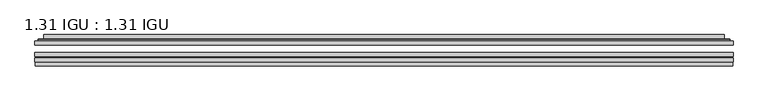
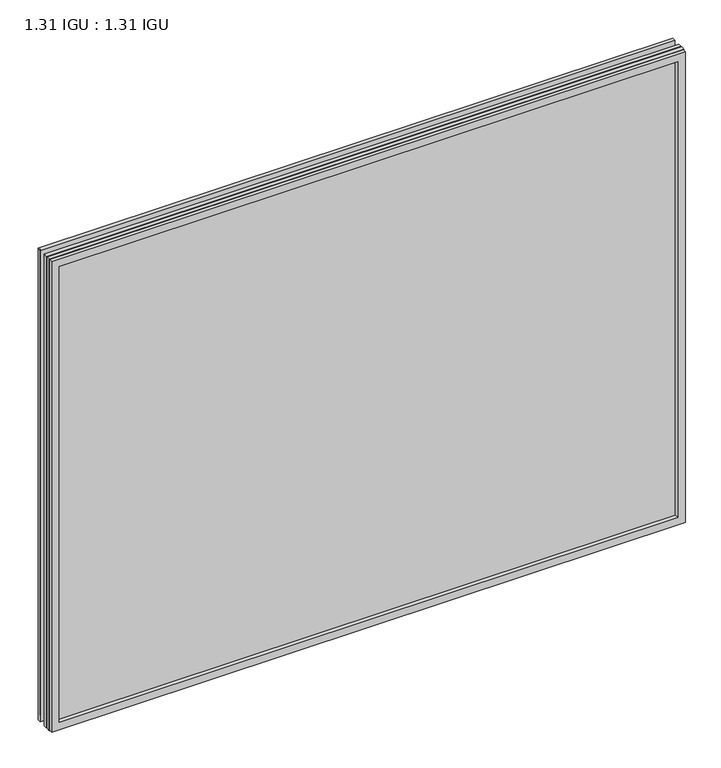
"""IFC4 building model written with IfcOpenShell, lengths in millimetres: plate geometry, 1.31 IGU : 1.31 IGU."""

from ifc_helpers import new_model, si_unit, frame, origin, place, context, project, spatial, polyline, ellipse_curve, outline, extrude, faceted_brep, source, transform, mapped, element, save
from ifc_brep_helpers import plane_surface, cylinder_surface, advanced_brep


def plate_1_31_igu_1_31_igu_fbb9811b(model_context):
    return source(origin(), model_context, "Body", "SolidModel", [
        extrude(outline(polyline([(554.051675, -63.59525), (554.051675, -69.94525), (-554.0375, -69.94525), (-554.0375, -63.59525), (554.051675, -63.59525)])), frame((0.0, 0.0, -14.2875), z_axis=(0.0, 0.0, 1.0), x_axis=(1.0, 0.0, 0.0)), (0.0, 0.0, 1.0), 869.9537979),
        extrude(outline(polyline([(-554.0375, -78.58125), (-554.0375, -72.230745), (554.051675, -72.230745), (554.051675, -78.58125), (-554.0375, -78.58125)])), frame((0.0, 0.0, -14.2875), z_axis=(0.0, 0.0, 1.0), x_axis=(1.0, 0.0, 0.0)), (0.0, 0.0, 1.0), 869.9537979),
        extrude(outline(polyline([(554.051675, -45.25645), (554.051675, -51.60645), (-554.0375, -51.60645), (-554.0375, -45.25645), (554.051675, -45.25645)])), frame((0.0, 0.0, -14.2875), z_axis=(0.0, 0.0, 1.0), x_axis=(1.0, 0.0, 0.0)), (0.0, 0.0, 1.0), 869.9537979),
        faceted_brep([(-553.3373142, -84.93125, 854.9623142), (-553.3373142, -78.58125, 854.9623142), (-553.3373142, -78.58125, -13.5873142), (-553.3373142, -84.93125, -13.5873142), (553.3373142, -78.58125, -13.5873142), (553.3373142, -84.93125, -13.5873142), (553.3373142, -78.58125, 854.9623142), (553.3373142, -84.93125, 854.9623142), (-538.8522559, -78.58125, 0.8977441), (538.8522559, -78.58125, 0.8977441), (538.8522559, -78.58125, 840.4772559), (-538.8522559, -78.58125, 840.4772559), (-539.7446902, -84.93125, 841.3696902), (539.7446902, -84.93125, 841.3696902), (539.7446902, -84.93125, 0.0053098), (-539.7446902, -84.93125, 0.0053098)], [[[0, 1, 2, 3]], [[3, 2, 4, 5]], [[5, 4, 6, 7]], [[1, 6, 4, 2], [8, 9, 10, 11]], [[7, 6, 1, 0]], [[3, 5, 7, 0], [12, 13, 14, 15]], [[11, 12, 15, 8]], [[8, 15, 14, 9]], [[9, 14, 13, 10]], [[10, 13, 12, 11]]]),
        advanced_brep(
        [(-546.796219, -45.25645, 848.4212191), (-549.1504244, -43.2667833, 850.7754244), (-549.1504244, -43.2667833, -9.4004244), (-546.796219, -45.25645, -7.046219), (-537.7218939, -41.416413, 839.3468939), (-532.7870621, -45.25645, 834.4120621), (-532.7870621, -45.25645, 6.9629379), (-537.7218939, -41.416413, 2.0281061), (-538.7539217, -36.0191819, 840.3789217), (-538.7539217, -36.0191819, 0.9960783), (-539.7445784, -35.6202069, 841.3695784), (-539.7445784, -35.6202069, 0.0054216), (-539.7445784, -42.08145, 841.3695784), (-539.7445784, -42.08145, 0.0054216), (-548.1486349, -42.08145, 849.7736349), (-548.1486349, -42.08145, -8.3986349), (549.1504244, -43.2667833, -9.4004244), (546.796219, -45.25645, -7.046219), (532.7870621, -45.25645, 6.9629379), (537.7218939, -41.416413, 2.0281061), (538.7539217, -36.0191819, 0.9960783), (539.7445784, -35.6202069, 0.0054216), (539.7445784, -42.08145, 0.0054216), (548.1486349, -42.08145, -8.3986349), (549.1504244, -43.2667833, 850.7754244), (546.796219, -45.25645, 848.4212191), (532.7870621, -45.25645, 834.4120621), (537.7218939, -41.416413, 839.3468939), (538.7539217, -36.0191819, 840.3789217), (539.7445784, -35.6202069, 841.3695784), (539.7445784, -42.08145, 841.3695784), (548.1486349, -42.08145, 849.7736349)],
        [
            (0, 1, ellipse_curve(frame((-546.796219, -42.86885, 848.4212191), z_axis=(-0.7071067811865475, 0.0, -0.7071067811865475), x_axis=(-0.7071067811865474, 0.0, 0.7071067811865476)), 3.3765763, 2.3876)),
            (1, 2),
            (2, 3, ellipse_curve(frame((-546.796219, -42.86885, -7.046219), z_axis=(-0.7071067811865475, 0.0, 0.7071067811865475), x_axis=(0.7071067811865474, 0.0, 0.7071067811865476)), 3.3765763, 2.3876)),
            (3, 0),
            (4, 5),
            (5, 6),
            (6, 7),
            (7, 4),
            (8, 4),
            (7, 9),
            (9, 8),
            (10, 8, ellipse_curve(frame((-539.3776219, -36.1384423, 841.0026219), z_axis=(-0.7071067811865475, 0.0, -0.7071067811865475), x_axis=(-0.7071067811865474, 0.0, 0.7071067811865476)), 0.8980256, 0.635)),
            (9, 11, ellipse_curve(frame((-539.3776219, -36.1384423, 0.3723781), z_axis=(-0.7071067811865475, 0.0, 0.7071067811865475), x_axis=(0.7071067811865474, 0.0, 0.7071067811865476)), 0.8980256, 0.635)),
            (11, 10),
            (12, 10),
            (11, 13),
            (13, 12),
            (1, 14, ellipse_curve(frame((-548.1486349, -43.09745, 849.7736349), z_axis=(-0.7071067811865475, 0.0, -0.7071067811865475), x_axis=(-0.7071067811865474, 0.0, 0.7071067811865476)), 1.436841, 1.016)),
            (14, 15),
            (15, 2, ellipse_curve(frame((-548.1486349, -43.09745, -8.3986349), z_axis=(-0.7071067811865475, 0.0, 0.7071067811865475), x_axis=(0.7071067811865474, 0.0, 0.7071067811865476)), 1.436841, 1.016)),
            (2, 16),
            (16, 17, ellipse_curve(frame((546.796219, -42.86885, -7.046219), z_axis=(-0.7071067811865475, 0.0, -0.7071067811865475), x_axis=(-0.7071067811865476, 0.0, 0.7071067811865474)), 3.3765763, 2.3876)),
            (17, 3),
            (6, 18),
            (18, 19),
            (19, 7),
            (19, 20),
            (20, 9),
            (20, 21, ellipse_curve(frame((539.3776219, -36.1384423, 0.3723781), z_axis=(-0.7071067811865475, 0.0, -0.7071067811865475), x_axis=(-0.7071067811865476, 0.0, 0.7071067811865474)), 0.8980256, 0.635)),
            (21, 11),
            (21, 22),
            (22, 13),
            (15, 23),
            (23, 16, ellipse_curve(frame((548.1486349, -43.09745, -8.3986349), z_axis=(-0.7071067811865475, 0.0, -0.7071067811865475), x_axis=(-0.7071067811865476, 0.0, 0.7071067811865474)), 1.436841, 1.016)),
            (16, 24),
            (24, 25, ellipse_curve(frame((546.796219, -42.86885, 848.4212191), z_axis=(0.7071067811865475, 0.0, -0.7071067811865475), x_axis=(-0.7071067811865474, 0.0, -0.7071067811865476)), 3.3765763, 2.3876)),
            (25, 17),
            (18, 26),
            (26, 27),
            (27, 19),
            (27, 28),
            (28, 20),
            (28, 29, ellipse_curve(frame((539.3776219, -36.1384423, 841.0026219), z_axis=(0.7071067811865475, 0.0, -0.7071067811865475), x_axis=(-0.7071067811865474, 0.0, -0.7071067811865476)), 0.8980256, 0.635)),
            (29, 21),
            (29, 30),
            (30, 22),
            (23, 31),
            (31, 24, ellipse_curve(frame((548.1486349, -43.09745, 849.7736349), z_axis=(0.7071067811865475, 0.0, -0.7071067811865475), x_axis=(-0.7071067811865474, 0.0, -0.7071067811865476)), 1.436841, 1.016)),
            (24, 1),
            (0, 25),
            (5, 26),
            (4, 27),
            (8, 28),
            (10, 29),
            (12, 30),
            (14, 31),
        ],
        [
            cylinder_surface(frame((-546.796219, -42.86885, 873.125), z_axis=(0.0, 0.0, 1.0), x_axis=(-1.0, 0.0, 0.0)), 2.3876),
            plane_surface(frame((-532.7870621, -45.25645, 834.4120621), z_axis=(0.6141233906514794, 0.7892100234124821, 0.0), x_axis=(0.0, 0.0, -1.0))),
            plane_surface(frame((-537.7218939, -41.416413, 839.3468939), z_axis=(0.9822050625507729, 0.18781164793386076, 0.0), x_axis=(0.0, 0.0, -1.0))),
            cylinder_surface(frame((-539.3776219, -36.1384423, 873.125), z_axis=(0.0, 0.0, 1.0), x_axis=(-1.0, 0.0, 0.0)), 0.635),
            plane_surface(frame((-539.7445784, -35.6202069, 841.3695784), z_axis=(-1.0, 0.0, 0.0), x_axis=(0.0, 0.0, -1.0))),
            cylinder_surface(frame((-548.1486349, -43.09745, 873.125), z_axis=(0.0, 0.0, 1.0), x_axis=(-1.0, 0.0, 0.0)), 1.016),
            cylinder_surface(frame((-571.5, -42.86885, -7.046219), z_axis=(-1.0, 0.0, 0.0), x_axis=(0.0, 0.0, -1.0)), 2.3876),
            plane_surface(frame((-532.7870621, -45.25645, 6.9629379), z_axis=(0.0, 0.7892100234124841, 0.6141233906514768), x_axis=(1.0, 0.0, 0.0))),
            plane_surface(frame((-537.7218939, -41.416413, 2.0281061), z_axis=(0.0, 0.18781164793386393, 0.9822050625507723), x_axis=(1.0, 0.0, 0.0))),
            cylinder_surface(frame((-571.5, -36.1384423, 0.3723781), z_axis=(-1.0, 0.0, 0.0), x_axis=(0.0, 0.0, -1.0)), 0.635),
            plane_surface(frame((-539.7445784, -35.6202069, 0.0054216), z_axis=(0.0, 0.0, -1.0), x_axis=(1.0, 0.0, 0.0))),
            cylinder_surface(frame((-571.5, -43.09745, -8.3986349), z_axis=(-1.0, 0.0, 0.0), x_axis=(0.0, 0.0, -1.0)), 1.016),
            cylinder_surface(frame((546.796219, -42.86885, -31.75), z_axis=(0.0, 0.0, -1.0), x_axis=(1.0, 0.0, 0.0)), 2.3876),
            plane_surface(frame((532.7870621, -45.25645, 6.9629379), z_axis=(-0.6141233906514743, 0.7892100234124861, 0.0), x_axis=(0.0, 0.0, 1.0))),
            plane_surface(frame((537.7218939, -41.416413, 2.0281061), z_axis=(-0.9822050625507718, 0.1878116479338671, 0.0), x_axis=(0.0, 0.0, 1.0))),
            cylinder_surface(frame((539.3776219, -36.1384423, -31.75), z_axis=(0.0, 0.0, -1.0), x_axis=(1.0, 0.0, 0.0)), 0.635),
            plane_surface(frame((539.7445784, -35.6202069, 0.0054216), z_axis=(1.0, 0.0, 0.0), x_axis=(0.0, 0.0, 1.0))),
            cylinder_surface(frame((548.1486349, -43.09745, -31.75), z_axis=(0.0, 0.0, -1.0), x_axis=(1.0, 0.0, 0.0)), 1.016),
            cylinder_surface(frame((571.5, -42.86885, 848.4212191), z_axis=(1.0, 0.0, 0.0), x_axis=(0.0, 0.0, 1.0)), 2.3876),
            plane_surface(frame((546.796219, -45.25645, 848.4212191), z_axis=(0.0, -1.0, 0.0), x_axis=(-1.0, 0.0, 0.0))),
            plane_surface(frame((532.7870621, -45.25645, 834.4120621), z_axis=(0.0, 0.7892100234124841, -0.6141233906514768), x_axis=(-1.0, 0.0, 0.0))),
            plane_surface(frame((537.7218939, -41.416413, 839.3468939), z_axis=(0.0, 0.18781164793386393, -0.9822050625507723), x_axis=(-1.0, 0.0, 0.0))),
            cylinder_surface(frame((571.5, -36.1384423, 841.0026219), z_axis=(1.0, 0.0, 0.0), x_axis=(0.0, 0.0, 1.0)), 0.635),
            plane_surface(frame((539.7445784, -35.6202069, 841.3695784), z_axis=(0.0, 0.0, 1.0), x_axis=(-1.0, 0.0, 0.0))),
            plane_surface(frame((539.7445784, -42.08145, 841.3695784), z_axis=(0.0, 1.0, 0.0), x_axis=(-1.0, 0.0, 0.0))),
            cylinder_surface(frame((571.5, -43.09745, 849.7736349), z_axis=(1.0, 0.0, 0.0), x_axis=(0.0, 0.0, 1.0)), 1.016),
        ],
        [
            (0, [[1, 2, 3, 4]]),
            (1, [[5, 6, 7, 8]]),
            (2, [[9, -8, 10, 11]]),
            (3, [[12, -11, 13, 14]]),
            (4, [[15, -14, 16, 17]]),
            (5, [[18, 19, 20, -2]]),
            (6, [[-3, 21, 22, 23]]),
            (7, [[-7, 24, 25, 26]]),
            (8, [[-10, -26, 27, 28]]),
            (9, [[-13, -28, 29, 30]]),
            (10, [[-16, -30, 31, 32]]),
            (11, [[-20, 33, 34, -21]]),
            (12, [[-22, 35, 36, 37]]),
            (13, [[-25, 38, 39, 40]]),
            (14, [[-27, -40, 41, 42]]),
            (15, [[-29, -42, 43, 44]]),
            (16, [[-31, -44, 45, 46]]),
            (17, [[-34, 47, 48, -35]]),
            (18, [[-36, 49, -1, 50]]),
            (19, [[-23, -37, -50, -4], [51, -38, -24, -6]]),
            (20, [[-39, -51, -5, 52]]),
            (21, [[-41, -52, -9, 53]]),
            (22, [[-43, -53, -12, 54]]),
            (23, [[-45, -54, -15, 55]]),
            (24, [[56, -47, -33, -19], [-32, -46, -55, -17]]),
            (25, [[-48, -56, -18, -49]]),
        ],
    ),
    ])


if __name__ == "__main__":
    model = new_model("IFC4")
    model_context = context("Model", 3, world=origin())
    ifc_project = project(units=[si_unit("LENGTHUNIT", "METRE", prefix="MILLI")], contexts=[model_context])
    site = spatial("IfcSite", under=ifc_project)
    building = spatial("IfcBuilding", under=site)
    placement = place(None, origin())
    plate_1_31_igu_1_31_igu_shape = plate_1_31_igu_1_31_igu_fbb9811b(model_context)
    element("IfcPlate", 1, ObjectType="1.31 IGU : 1.31 IGU", at=placement, inside=building, context=model_context, shape_type="MappedRepresentation", body=[
        mapped(plate_1_31_igu_1_31_igu_shape, transform((0.0, 0.0, 0.0), x_axis=(1.0, 0.0, 0.0), y_axis=(0.0, 1.0, 0.0), z_axis=(0.0, 0.0, 1.0))),
    ])
    save(model, "model.ifc")
